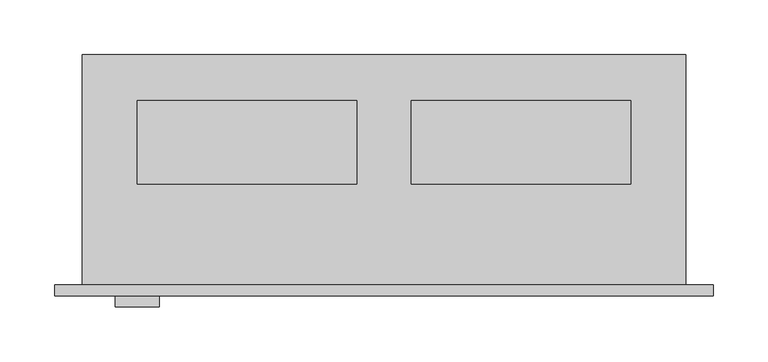
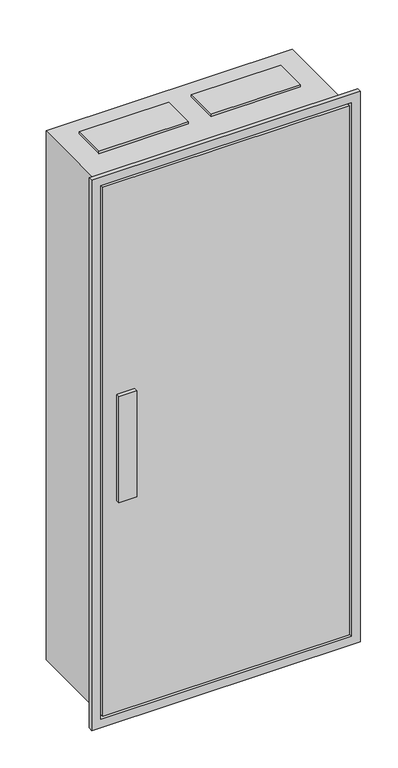
"""IFC4 building model written with IfcOpenShell, lengths in millimetres: proxy geometry."""

from ifc_helpers import new_model, si_unit, frame, origin, origin_with_axes, place, context, project, spatial, polyline, outline, extrude, source, transform, mapped, element, save


def electrical_fixtures_9031617e(model_context):
    return source(origin(), model_context, "Body", "SweptSolid", [
        extrude(outline(polyline([(500.0, 168.0), (500.0, 92.0), (300.0, 92.0), (300.0, 168.0), (500.0, 168.0)])), frame((0.0, 0.0, 1250.0), z_axis=(0.0, 0.0, 1.0), x_axis=(1.0, 0.0, 0.0)), (0.0, 0.0, 1.0), 5.0),
        extrude(outline(polyline([(500.0, 168.0), (500.0, 92.0), (300.0, 92.0), (300.0, 168.0), (500.0, 168.0)])), frame((0.0, 0.0, -5.0), z_axis=(0.0, 0.0, 1.0), x_axis=(1.0, 0.0, 0.0)), (0.0, 0.0, 1.0), 5.0),
        extrude(outline(polyline([(250.0, 168.0), (250.0, 92.0), (50.0, 92.0), (50.0, 168.0), (250.0, 168.0)])), frame((0.0, 0.0, 1250.0), z_axis=(0.0, 0.0, 1.0), x_axis=(1.0, 0.0, 0.0)), (0.0, 0.0, 1.0), 5.0),
        extrude(outline(polyline([(250.0, 168.0), (250.0, 92.0), (50.0, 92.0), (50.0, 168.0), (250.0, 168.0)])), frame((0.0, 0.0, -5.0), z_axis=(0.0, 0.0, 1.0), x_axis=(1.0, 0.0, 0.0)), (0.0, 0.0, 1.0), 5.0),
        extrude(outline(polyline([(-25.0, 575.0), (1275.0, 575.0), (1275.0, -25.0), (-25.0, -25.0), (-25.0, 575.0)]), holes=[polyline([(1255.0, 555.0), (-5.0, 555.0), (-5.0, -5.0), (1255.0, -5.0), (1255.0, 555.0)])]), frame((0.0, -10.0, 0.0), z_axis=(0.0, 1.0, 0.0), x_axis=(0.0, 0.0, 1.0)), (0.0, 0.0, 1.0), 10.0),
        extrude(outline(polyline([(0.0, -10.0), (0.0, 0.0), (550.0, 0.0), (550.0, -10.0), (0.0, -10.0)])), origin_with_axes(), (0.0, 0.0, 1.0), 1250.0),
        extrude(outline(polyline([(70.0, -10.0), (70.0, -20.0), (30.0, -20.0), (30.0, -10.0), (70.0, -10.0)])), frame((0.0, 0.0, 500.0), z_axis=(0.0, 0.0, 1.0), x_axis=(1.0, 0.0, 0.0)), (0.0, 0.0, 1.0), 250.0),
        extrude(outline(polyline([(550.0, 210.0), (550.0, 0.0), (0.0, 0.0), (0.0, 210.0), (550.0, 210.0)])), origin_with_axes(), (0.0, 0.0, 1.0), 1250.0),
    ])


if __name__ == "__main__":
    model = new_model("IFC4")
    model_context = context("Model", 3, world=origin())
    ifc_project = project(units=[si_unit("LENGTHUNIT", "METRE", prefix="MILLI")], contexts=[model_context])
    site = spatial("IfcSite", under=ifc_project)
    building = spatial("IfcBuilding", under=site)
    placement = place(None, origin())
    electrical_fixtures_shape = electrical_fixtures_9031617e(model_context)
    element("IfcBuildingElementProxy", 1, Name="Electrical Fixtures", at=placement, inside=building, context=model_context, shape_type="MappedRepresentation", body=[
        mapped(electrical_fixtures_shape, transform((0.0, 0.0, 0.0), x_axis=(1.0, 0.0, 0.0), y_axis=(0.0, 1.0, 0.0), z_axis=(0.0, 0.0, 1.0))),
    ])
    save(model, "model.ifc")
